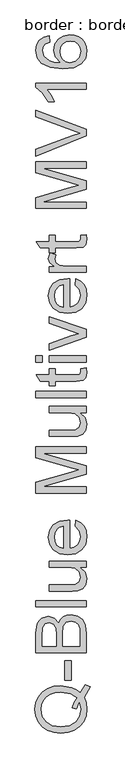
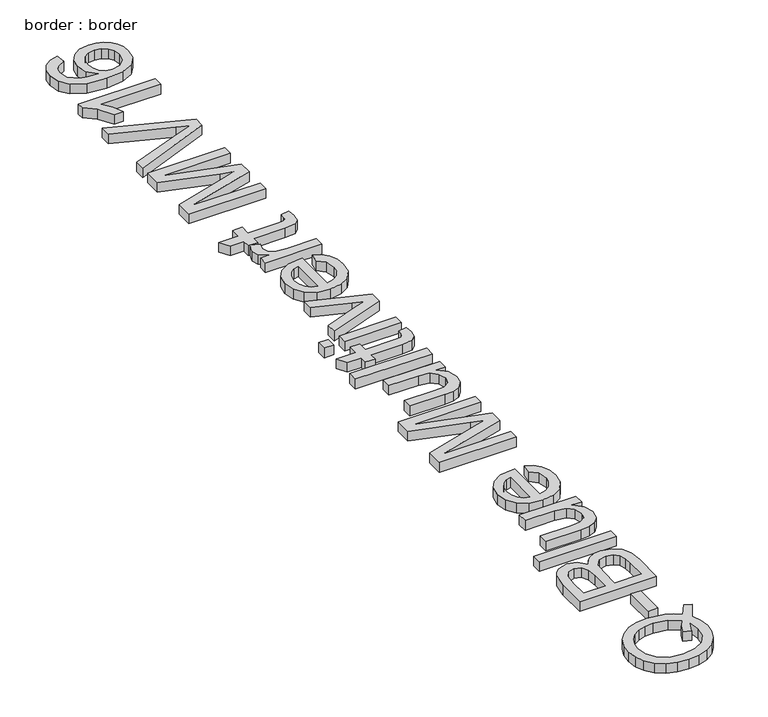
"""IFC4 building model written with IfcOpenShell, lengths in millimetres: proxy geometry, border : border."""

from ifc_helpers import new_model, si_unit, origin, origin_with_axes, place, context, project, spatial, polyline, outline, extrude, source, transform, mapped, element, save


def border_border_20365848(model_context):
    return source(origin(), model_context, "Body", "SweptSolid", [
        extrude(outline(polyline([(-518.063006, 579.5960363), (-502.3544448, 602.956543), (-488.55887, 597.8797714), (-506.1804175, 566.8673192), (-499.7792708, 549.4389097), (-497.6455552, 530.2630607), (-500.1057661, 510.9952412), (-507.4863986, 493.5852258), (-519.3230018, 479.0033032), (-535.1511246, 468.2197622), (-554.1016459, 461.5564996), (-575.3054444, 459.335412), (-596.527637, 461.5519011), (-615.7540698, 468.2013681), (-631.8075203, 478.9435224), (-643.5107663, 493.438073), (-650.6568741, 510.7837091), (-653.03891, 530.0791197), (-650.6016918, 549.5262817), (-643.2900371, 566.9592897), (-631.5913897, 581.4308477), (-615.9931931, 591.9936595), (-597.3231818, 598.4499885), (-576.4090904, 600.6020982), (-543.4836518, 595.3781739), (-529.8260328, 588.8206773), (-518.063006, 579.5960363)]), holes=[polyline([(-543.1157698, 535.4501968), (-537.1284904, 551.2875167), (-528.8051602, 564.0714161), (-548.2293296, 577.342759), (-575.4525972, 581.76654), (-592.0302796, 580.2030416), (-606.3730789, 575.5125461), (-618.1177116, 567.8100168), (-626.9008942, 557.2104169), (-632.3777374, 544.4311161), (-634.2033518, 530.1894843), (-630.5107363, 509.661669), (-619.4328897, 492.9598264), (-601.0249944, 481.8681842), (-575.3422326, 478.1709702), (-550.2112938, 481.8267975), (-531.6930339, 492.7942795), (-520.2840935, 509.4455383), (-516.4811134, 530.1526961), (-520.3438743, 550.422994), (-528.6947956, 530.5941545), (-543.1157698, 535.4501968)])]), origin_with_axes(), (0.0, 0.0, 1.0), 20.0),
        extrude(outline(polyline([(-544.7344506, 617.0832116), (-563.5700088, 617.0832116), (-563.5700088, 675.9443308), (-544.7344506, 675.9443308), (-544.7344506, 617.0832116)])), origin_with_axes(), (0.0, 0.0, 1.0), 20.0),
        extrude(outline(polyline([(-500.0, 699.4887785), (-650.6844652, 699.4887785), (-650.6844652, 756.9887343), (-646.2514872, 785.1501011), (-640.6274912, 794.6138654), (-632.6214593, 801.7783673), (-613.3444427, 807.7932379), (-595.7412892, 802.7348604), (-582.4055669, 787.4493635), (-576.8321547, 798.1225399), (-568.3524747, 806.0090102), (-557.527547, 810.8788481), (-544.9183916, 812.5021274), (-524.6664878, 808.0691494), (-510.2455136, 797.0878718), (-502.5935681, 780.6987289), (-500.0, 756.5472759), (-500.0, 699.4887785)]), holes=[polyline([(-589.4689012, 718.3243366), (-589.4689012, 752.7213032), (-591.087582, 772.8076601), (-598.0589458, 784.8925837), (-610.3278104, 788.9576797), (-622.615069, 785.1684952), (-629.8807384, 774.3159763), (-631.8489071, 750.109341), (-631.8489071, 718.3243366), (-589.4689012, 718.3243366)]), polyline([(-518.8355582, 718.3243366), (-518.8355582, 756.9519461), (-519.5713221, 770.931462), (-523.6732064, 782.7588681), (-532.0425218, 790.5947546), (-544.7344506, 793.6665693), (-559.376154, 790.0613257), (-568.1133514, 778.3810724), (-570.6333431, 755.1125362), (-570.6333431, 718.3243366), (-518.8355582, 718.3243366)])]), origin_with_axes(), (0.0, 0.0, 1.0), 20.0),
        extrude(outline(polyline([(-500.0, 836.0465751), (-650.6844652, 836.0465751), (-650.6844652, 854.8821333), (-500.0, 854.8821333), (-500.0, 836.0465751)])), origin_with_axes(), (0.0, 0.0, 1.0), 20.0),
        extrude(outline(polyline([(-500.0, 953.7688136), (-519.0194992, 953.7688136), (-502.9890412, 939.0167456), (-497.6455552, 919.7765172), (-501.3979516, 902.0629991), (-510.8157307, 889.8493169), (-524.6848819, 884.2391165), (-542.1960648, 883.1354705), (-610.6589041, 883.1354705), (-610.6589041, 901.9710286), (-551.0620209, 901.9710286), (-531.8585808, 903.1114628), (-520.5829976, 910.5610732), (-516.4811134, 924.5957713), (-520.6749681, 940.3227266), (-532.0977041, 950.715393), (-553.0853719, 953.7688136), (-610.6589041, 953.7688136), (-610.6589041, 972.6043717), (-500.0, 972.6043717), (-500.0, 953.7688136)])), origin_with_axes(), (0.0, 0.0, 1.0), 20.0),
        extrude(outline(polyline([(-532.9622268, 1075.9792124), (-530.607782, 1094.4468885), (-516.6926455, 1087.7928229), (-506.2907821, 1077.1748288), (-499.806862, 1062.8320296), (-497.6455552, 1045.0035484), (-501.374959, 1022.9030375), (-512.5631701, 1005.8976923), (-530.4836218, 995.0543705), (-554.4097471, 991.4399299), (-579.1406142, 995.0911587), (-597.6358815, 1006.0448451), (-609.1689821, 1022.8202641), (-613.0133489, 1043.9366906), (-609.1781791, 1064.395528), (-597.6726697, 1080.7432842), (-579.2141906, 1091.4624458), (-554.5201117, 1095.0354997), (-549.4433402, 1094.9251351), (-549.4433402, 1010.275488), (-535.3442627, 1013.5358422), (-524.9791875, 1021.1096128), (-518.6056319, 1032.0403066), (-516.4811134, 1045.3714304), (-520.4174507, 1063.8391065), (-532.9622268, 1075.9792124)]), holes=[polyline([(-568.2788983, 1010.275488), (-568.2788983, 1076.1999416), (-578.2301063, 1073.6523587), (-585.3486229, 1068.6583607), (-591.9704988, 1057.6770831), (-594.1777908, 1043.8631142), (-592.4165557, 1031.1665868), (-587.1328506, 1020.6681544), (-578.8968924, 1013.3702953), (-568.2788983, 1010.275488)])]), origin_with_axes(), (0.0, 0.0, 1.0), 20.0),
        extrude(outline(polyline([(-500.0, 1175.0866219), (-650.6844652, 1175.0866219), (-650.6844652, 1207.4970256), (-544.4769332, 1238.3255368), (-522.2936489, 1244.5427425), (-546.3163432, 1251.2749831), (-650.6844652, 1281.5884595), (-650.6844652, 1313.9988632), (-500.0, 1313.9988632), (-500.0, 1295.1633051), (-631.8489071, 1295.1633051), (-500.0, 1257.3082478), (-500.0, 1231.7772373), (-631.8489071, 1193.92218), (-500.0, 1193.92218), (-500.0, 1175.0866219)])), origin_with_axes(), (0.0, 0.0, 1.0), 20.0),
        extrude(outline(polyline([(-500.0, 1415.2399883), (-519.0194992, 1415.2399883), (-502.9890412, 1400.4879203), (-497.6455552, 1381.247692), (-501.3979516, 1363.5341739), (-510.8157307, 1351.3204916), (-524.6848819, 1345.7102912), (-542.1960648, 1344.6066452), (-610.6589041, 1344.6066452), (-610.6589041, 1363.4422034), (-551.0620209, 1363.4422034), (-531.8585808, 1364.5826376), (-520.5829976, 1372.032248), (-516.4811134, 1386.0669461), (-520.6749681, 1401.7939014), (-532.0977041, 1412.1865678), (-553.0853719, 1415.2399883), (-610.6589041, 1415.2399883), (-610.6589041, 1434.0755465), (-500.0, 1434.0755465), (-500.0, 1415.2399883)])), origin_with_axes(), (0.0, 0.0, 1.0), 20.0),
        extrude(outline(polyline([(-500.0, 1459.9744389), (-650.6844652, 1459.9744389), (-650.6844652, 1478.8099971), (-500.0, 1478.8099971), (-500.0, 1459.9744389)])), origin_with_axes(), (0.0, 0.0, 1.0), 20.0),
        extrude(outline(polyline([(-515.7085612, 1547.0888954), (-499.448177, 1549.4433402), (-497.6455552, 1535.3534597), (-500.7725522, 1519.5713221), (-508.9763207, 1511.6986474), (-530.3502646, 1509.4177791), (-591.823346, 1509.4177791), (-591.823346, 1495.2911105), (-610.6589041, 1495.2911105), (-610.6589041, 1509.4177791), (-637.551078, 1509.4177791), (-648.6243261, 1528.2533372), (-610.6589041, 1528.2533372), (-610.6589041, 1547.0888954), (-591.823346, 1547.0888954), (-591.823346, 1528.2533372), (-530.9020876, 1528.2533372), (-521.1900029, 1529.2466186), (-517.7503063, 1532.4655861), (-516.4811134, 1538.8851269), (-515.7085612, 1547.0888954)])), origin_with_axes(), (0.0, 0.0, 1.0), 20.0),
        extrude(outline(polyline([(-631.8489071, 1565.9244535), (-650.6844652, 1565.9244535), (-650.6844652, 1584.7600117), (-631.8489071, 1584.7600117), (-631.8489071, 1565.9244535)])), origin_with_axes(), (0.0, 0.0, 1.0), 20.0),
        extrude(outline(polyline([(-500.0, 1565.9244535), (-610.6589041, 1565.9244535), (-610.6589041, 1584.7600117), (-500.0, 1584.7600117), (-500.0, 1565.9244535)])), origin_with_axes(), (0.0, 0.0, 1.0), 20.0),
        extrude(outline(polyline([(-500.0, 1640.1630402), (-610.6589041, 1601.2411251), (-610.6589041, 1621.1803292), (-544.3665686, 1644.7615651), (-522.0729197, 1651.8616876), (-543.1157698, 1658.8146573), (-610.6589041, 1682.543046), (-610.6589041, 1702.4822501), (-500.0, 1664.0385816), (-500.0, 1640.1630402)])), origin_with_axes(), (0.0, 0.0, 1.0), 20.0),
        extrude(outline(polyline([(-532.9622268, 1796.4393117), (-530.607782, 1814.9069879), (-516.6926455, 1808.2529223), (-506.2907821, 1797.6349282), (-499.806862, 1783.2921289), (-497.6455552, 1765.4636477), (-501.374959, 1743.3631369), (-512.5631701, 1726.3577916), (-530.4836218, 1715.5144698), (-554.4097471, 1711.9000292), (-579.1406142, 1715.551258), (-597.6358815, 1726.5049444), (-609.1689821, 1743.2803634), (-613.0133489, 1764.3967899), (-609.1781791, 1784.8556274), (-597.6726697, 1801.2033836), (-579.2141906, 1811.9225452), (-554.5201117, 1815.4955991), (-549.4433402, 1815.3852345), (-549.4433402, 1730.7355874), (-535.3442627, 1733.9959416), (-524.9791875, 1741.5697121), (-518.6056319, 1752.5004059), (-516.4811134, 1765.8315297), (-520.4174507, 1784.2992059), (-532.9622268, 1796.4393117)]), holes=[polyline([(-568.2788983, 1730.7355874), (-568.2788983, 1796.6600409), (-578.2301063, 1794.1124581), (-585.3486229, 1789.11846), (-591.9704988, 1778.1371825), (-594.1777908, 1764.3232135), (-592.4165557, 1751.6266862), (-587.1328506, 1741.1282537), (-578.8968924, 1733.8303947), (-568.2788983, 1730.7355874)])]), origin_with_axes(), (0.0, 0.0, 1.0), 20.0),
        extrude(outline(polyline([(-500.0, 1834.3311572), (-610.6589041, 1834.3311572), (-610.6589041, 1850.8122706), (-594.2881554, 1850.8122706), (-609.3713172, 1862.510918), (-613.0133489, 1874.2831419), (-607.2008134, 1893.1922764), (-590.3150298, 1886.9014943), (-594.1777908, 1873.6577425), (-590.4621826, 1863.0075587), (-580.1614867, 1856.2201359), (-558.1621434, 1853.1667154), (-500.0, 1853.1667154), (-500.0, 1834.3311572)])), origin_with_axes(), (0.0, 0.0, 1.0), 20.0),
        extrude(outline(polyline([(-515.7085612, 1944.9900614), (-499.448177, 1947.3445061), (-497.6455552, 1933.2546257), (-500.7725522, 1917.4724881), (-508.9763207, 1909.5998134), (-530.3502646, 1907.3189451), (-591.823346, 1907.3189451), (-591.823346, 1893.1922764), (-610.6589041, 1893.1922764), (-610.6589041, 1907.3189451), (-637.551078, 1907.3189451), (-648.6243261, 1926.1545032), (-610.6589041, 1926.1545032), (-610.6589041, 1944.9900614), (-591.823346, 1944.9900614), (-591.823346, 1926.1545032), (-530.9020876, 1926.1545032), (-521.1900029, 1927.1477846), (-517.7503063, 1930.3667521), (-516.4811134, 1936.7862929), (-515.7085612, 1944.9900614)])), origin_with_axes(), (0.0, 0.0, 1.0), 20.0),
        extrude(outline(polyline([(-500.0, 2025.0411835), (-650.6844652, 2025.0411835), (-650.6844652, 2057.4515873), (-544.4769332, 2088.2800985), (-522.2936489, 2094.4973042), (-546.3163432, 2101.2295447), (-650.6844652, 2131.5430211), (-650.6844652, 2163.9534249), (-500.0, 2163.9534249), (-500.0, 2145.1178667), (-631.8489071, 2145.1178667), (-500.0, 2107.2628094), (-500.0, 2081.731799), (-631.8489071, 2043.8767417), (-500.0, 2043.8767417), (-500.0, 2025.0411835)])), origin_with_axes(), (0.0, 0.0, 1.0), 20.0),
        extrude(outline(polyline([(-500.0, 2241.4293731), (-650.6844652, 2181.4646079), (-650.6844652, 2201.6245412), (-542.1224884, 2241.7604669), (-517.6583358, 2249.890659), (-542.1224884, 2257.9104865), (-650.6844652, 2298.1567767), (-650.6844652, 2318.3167101), (-500.0, 2260.8903306), (-500.0, 2241.4293731)])), origin_with_axes(), (0.0, 0.0, 1.0), 20.0),
        extrude(outline(polyline([(-500.0, 2399.3979018), (-500.0, 2380.5623437), (-617.4279329, 2380.5623437), (-604.7176099, 2362.7200669), (-595.2078604, 2342.8912273), (-613.0133489, 2342.8912273), (-630.6348965, 2370.5007711), (-650.6844652, 2387.257796), (-650.6844652, 2399.3979018), (-500.0, 2399.3979018)])), origin_with_axes(), (0.0, 0.0, 1.0), 20.0),
        extrude(outline(polyline([(-610.6589041, 2540.664588), (-608.3044594, 2521.8290298), (-624.0130206, 2514.6921191), (-629.8899354, 2506.1480598), (-631.8489071, 2495.8197727), (-627.2871703, 2478.8236246), (-610.1622635, 2465.9661488), (-596.1321639, 2462.0620012), (-576.5930314, 2460.6134658), (-591.6210109, 2477.2233379), (-596.5322355, 2497.8063355), (-593.1753123, 2515.2071539), (-583.1045427, 2529.8120691), (-567.7178783, 2539.7172918), (-548.4132706, 2543.0190327), (-534.9257969, 2541.4647313), (-522.4224076, 2536.801827), (-511.8182091, 2529.416596), (-504.0283078, 2519.6953142), (-499.2412434, 2508.0794402), (-497.6455552, 2495.0104324), (-501.8761982, 2473.641087), (-514.568127, 2456.6219462), (-536.9721405, 2445.4889173), (-570.3390375, 2441.7779077), (-607.8538039, 2445.898186), (-633.504376, 2458.259021), (-646.3894429, 2475.1356076), (-650.6844652, 2496.9969951), (-648.0265178, 2513.5240938), (-640.0526756, 2526.7586485), (-627.3883379, 2536.0292748), (-610.6589041, 2540.664588)]), holes=[polyline([(-548.7075762, 2460.6134658), (-532.3920097, 2464.9728674), (-520.5462094, 2476.5611503), (-516.4811134, 2493.5389044), (-518.5872378, 2505.9687173), (-524.9056111, 2515.7405828), (-534.8384249, 2522.0727516), (-547.7878712, 2524.1834746), (-560.2176841, 2522.1003428), (-569.695244, 2515.8509474), (-575.696319, 2505.913535), (-577.6966774, 2492.7663522), (-575.696319, 2480.3549334), (-569.695244, 2469.9760626), (-560.4476103, 2462.954115), (-548.7075762, 2460.6134658)])]), origin_with_axes(), (0.0, 0.0, 1.0), 20.0),
    ])


if __name__ == "__main__":
    model = new_model("IFC4")
    model_context = context("Model", 3, world=origin())
    ifc_project = project(units=[si_unit("LENGTHUNIT", "METRE", prefix="MILLI")], contexts=[model_context])
    site = spatial("IfcSite", under=ifc_project)
    building = spatial("IfcBuilding", under=site)
    placement = place(None, origin())
    border_border_shape = border_border_20365848(model_context)
    element("IfcBuildingElementProxy", 1, Name="border : border", ObjectType="border : border", at=placement, inside=building, context=model_context, shape_type="MappedRepresentation", body=[
        mapped(border_border_shape, transform((0.0, 0.0, 0.0), x_axis=(1.0, 0.0, 0.0), y_axis=(0.0, 1.0, 0.0), z_axis=(0.0, 0.0, 1.0))),
    ])
    save(model, "model.ifc")
